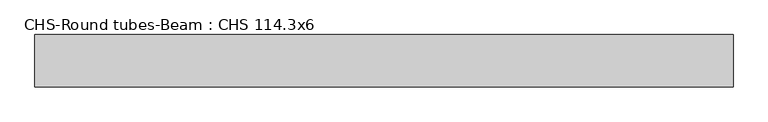
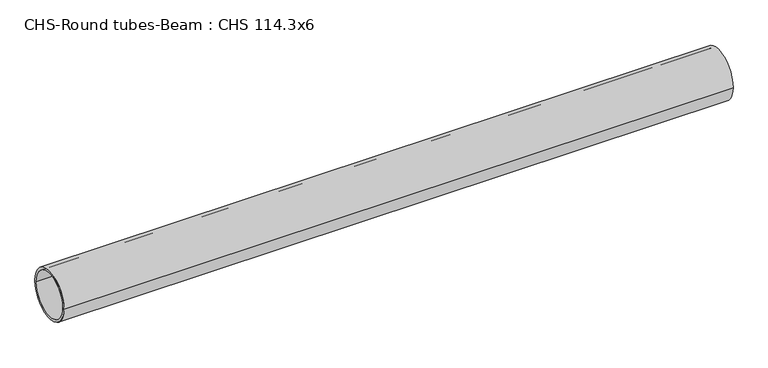
"""IFC4 building model written with IfcOpenShell, lengths in millimetres: beam geometry, CHS-Round tubes-Beam : CHS 114.3x6."""

from ifc_helpers import new_model, si_unit, point, frame, origin, origin_2d, place, context, project, spatial, circle_curve, trimmed, segment, composite_curve, outline, extrude, source, transform, mapped, element, save


def chs_round_tubes_beam_chs_114_3x6_6f383c8a(model_context):
    return source(origin(), model_context, "Body", "SweptSolid", [
        extrude(outline(composite_curve([segment(trimmed(circle_curve(origin_2d(), 57.15), [point((57.15, 0.0))], [point((-57.15, 0.0))], False, "CARTESIAN"), True, "CONTINUOUS"), segment(trimmed(circle_curve(origin_2d(), 57.15), [point((-57.15, 0.0))], [point((57.15, 0.0))], False, "CARTESIAN"), True, "CONTINUOUS")], self_intersect=False), holes=[composite_curve([segment(trimmed(circle_curve(origin_2d(), 51.15), [point((51.15, 0.0))], [point((-51.15, 0.0))], True, "CARTESIAN"), True, "CONTINUOUS"), segment(trimmed(circle_curve(origin_2d(), 51.15), [point((-51.15, 0.0))], [point((51.15, 0.0))], True, "CARTESIAN"), True, "CONTINUOUS")], self_intersect=False)]), frame((-744.4870516, 0.0, 0.0), z_axis=(1.0, 0.0, 0.0), x_axis=(0.0, 1.0, 0.0)), (0.0, 0.0, 1.0), 1521.4328277),
    ])


if __name__ == "__main__":
    model = new_model("IFC4")
    model_context = context("Model", 3, world=origin())
    ifc_project = project(units=[si_unit("LENGTHUNIT", "METRE", prefix="MILLI")], contexts=[model_context])
    site = spatial("IfcSite", under=ifc_project)
    building = spatial("IfcBuilding", under=site)
    placement = place(None, origin())
    chs_round_tubes_beam_chs_114_3x6_shape = chs_round_tubes_beam_chs_114_3x6_6f383c8a(model_context)
    element("IfcBeam", 1, ObjectType="CHS-Round tubes-Beam : CHS 114.3x6", at=placement, inside=building, context=model_context, shape_type="MappedRepresentation", body=[
        mapped(chs_round_tubes_beam_chs_114_3x6_shape, transform((0.0, 0.0, 0.0), x_axis=(1.0, 0.0, 0.0), y_axis=(0.0, 1.0, 0.0), z_axis=(0.0, 0.0, 1.0))),
    ])
    save(model, "model.ifc")
